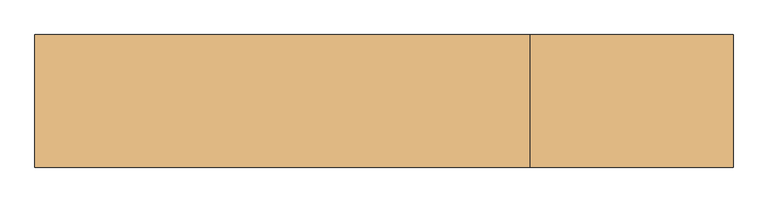
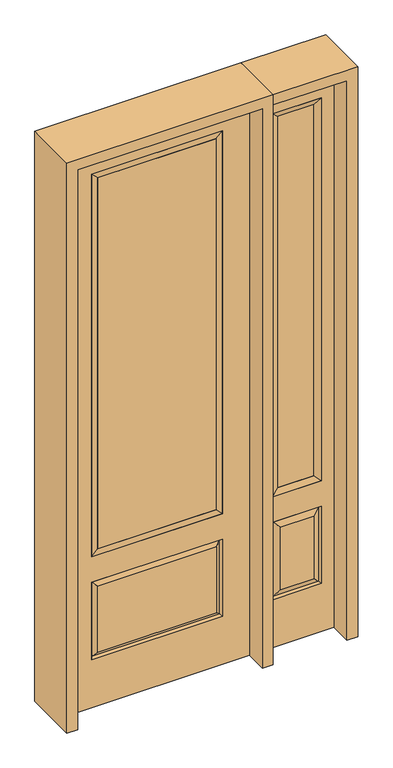
"""IFC4 building model written with IfcOpenShell, lengths in millimetres: door geometry."""

from ifc_helpers import new_model, si_unit, frame, origin, place, context, project, spatial, polyline, outline, extrude, faceted_brep, source, transform, mapped, element, save


def door_bb8ef463(model_context):
    return source(origin(), model_context, "Body", "SolidModel", [
        faceted_brep([(425.45, -22.225, 0.0), (730.25, -22.225, 0.0), (730.25, -22.225, 2438.4), (425.45, -22.225, 2438.4), (678.18, -22.225, 2325.624), (678.18, -22.225, 657.098), (477.52, -22.225, 657.098), (477.52, -22.225, 2325.624), (678.18, -22.225, 209.55), (477.52, -22.225, 209.55), (477.52, -22.225, 546.1), (678.18, -22.225, 546.1), (509.2351001, -22.225, 241.2651001), (646.4648999, -22.225, 241.2651001), (646.4648999, -22.225, 514.3848999), (509.2351001, -22.225, 514.3848999), (425.45, 22.225, 0.0), (425.45, 22.225, 2438.4), (730.25, 22.225, 2438.4), (730.25, 22.225, 0.0), (678.18, 22.225, 2325.624), (477.52, 22.225, 2325.624), (477.52, 22.225, 657.098), (678.18, 22.225, 657.098), (477.52, 22.225, 209.55), (678.18, 22.225, 209.55), (678.18, 22.225, 546.1), (477.52, 22.225, 546.1), (646.4648999, 22.225, 241.2651001), (509.2351001, 22.225, 241.2651001), (509.2351001, 22.225, 514.3848999), (646.4648999, 22.225, 514.3848999), (671.0711499, 12.7912373, 216.6588501), (484.6288501, 12.7912373, 216.6588501), (484.6288501, 12.7912373, 538.9911499), (671.0711499, 12.7912373, 538.9911499), (484.6288501, -12.7912373, 216.6588501), (671.0711499, -12.7912373, 216.6588501), (484.6288501, -12.7912373, 538.9911499), (671.0711499, -12.7912373, 538.9911499)], [[[0, 1, 2, 3], [4, 5, 6, 7], [8, 9, 10, 11]], [[12, 13, 14, 15]], [[16, 17, 18, 19], [20, 21, 22, 23], [24, 25, 26, 27]], [[28, 29, 30, 31]], [[1, 0, 16, 19]], [[2, 1, 19, 18]], [[3, 2, 18, 17]], [[0, 3, 17, 16]], [[5, 4, 20, 23]], [[6, 5, 23, 22]], [[7, 6, 22, 21]], [[4, 7, 21, 20]], [[32, 33, 29, 28]], [[33, 32, 25, 24]], [[29, 33, 34, 30]], [[33, 24, 27, 34]], [[30, 34, 35, 31]], [[34, 27, 26, 35]], [[32, 28, 31, 35]], [[25, 32, 35, 26]], [[12, 36, 37, 13]], [[37, 36, 9, 8]], [[36, 12, 15, 38]], [[9, 36, 38, 10]], [[38, 15, 14, 39]], [[10, 38, 39, 11]], [[13, 37, 39, 14]], [[37, 8, 11, 39]]]),
        faceted_brep([(477.52, 22.225, 2325.624), (477.52, -22.225, 2325.624), (678.18, -22.225, 2325.624), (678.18, 22.225, 2325.624), (502.92, 12.7, 2300.224), (652.78, 12.7, 2300.224), (502.92, -12.7, 2300.224), (652.78, -12.7, 2300.224), (678.18, -22.225, 657.098), (678.18, 22.225, 657.098), (652.78, 12.7, 682.498), (652.78, -12.7, 682.498), (477.52, -22.225, 657.098), (477.52, 22.225, 657.098), (502.92, 12.7, 682.498), (502.92, -12.7, 682.498)], [[[0, 1, 2, 3]], [[4, 0, 3, 5]], [[6, 4, 5, 7]], [[1, 6, 7, 2]], [[3, 2, 8, 9]], [[5, 3, 9, 10]], [[7, 5, 10, 11]], [[2, 7, 11, 8]], [[9, 8, 12, 13]], [[10, 9, 13, 14]], [[11, 10, 14, 15]], [[8, 11, 15, 12]], [[13, 12, 1, 0]], [[14, 13, 0, 4]], [[15, 14, 4, 6]], [[12, 15, 6, 1]]]),
        extrude(outline(polyline([(652.78, -12.7), (502.92, -12.7), (502.92, 12.7), (652.78, 12.7), (652.78, -12.7)])), frame((0.0, 0.0, 682.498), z_axis=(0.0, 0.0, 1.0), x_axis=(1.0, 0.0, 0.0)), (0.0, 0.0, 1.0), 1617.726),
        extrude(outline(polyline([(244.475, -20.32), (-244.475, -20.32), (-244.475, 5.08), (244.475, 5.08), (244.475, -20.32)])), frame((0.0, 0.0, 682.498), z_axis=(0.0, 0.0, 1.0), x_axis=(1.0, 0.0, 0.0)), (0.0, 0.0, 1.0), 1616.202),
        faceted_brep([(-262.7661499, -12.7912373, 216.6588501), (262.7661499, -12.7912373, 216.6588501), (245.26875, -22.225, 234.15625), (-245.26875, -22.225, 234.15625), (-269.875, -22.225, 209.55), (269.875, -22.225, 209.55), (-262.7661499, -12.7912373, 538.9911499), (-269.875, -22.225, 546.1), (245.26875, -22.225, 521.49375), (-245.26875, -22.225, 521.49375), (381.0, -22.225, 2438.4), (-381.0, -22.225, 2438.4), (-381.0, -22.225, 0.0), (381.0, -22.225, 0.0), (269.875, -22.225, 546.1), (269.875, -22.225, 2324.1), (269.875, -22.225, 657.098), (-269.875, -22.225, 657.098), (-269.875, -22.225, 2324.1), (262.7661499, -12.7912373, 538.9911499), (-381.0, 22.225, 2438.4), (-381.0, 22.225, 0.0), (381.0, 22.225, 0.0), (381.0, 22.225, 2438.4), (269.875, 22.225, 2324.1), (269.875, 22.225, 657.098), (-269.875, 22.225, 657.098), (-269.875, 22.225, 2324.1), (-269.875, 22.225, 209.55), (269.875, 22.225, 209.55), (269.875, 22.225, 546.1), (-269.875, 22.225, 546.1), (245.26875, 22.225, 234.15625), (-245.26875, 22.225, 234.15625), (-245.26875, 22.225, 521.49375), (245.26875, 22.225, 521.49375), (-262.7661499, 12.7912373, 216.6588501), (262.7661499, 12.7912373, 216.6588501), (262.7661499, 12.7912373, 538.9911499), (-262.7661499, 12.7912373, 538.9911499)], [[[0, 1, 2, 3]], [[1, 0, 4, 5]], [[4, 0, 6, 7]], [[3, 2, 8, 9]], [[10, 11, 12, 13], [5, 4, 7, 14], [15, 16, 17, 18]], [[1, 5, 14, 19]], [[2, 1, 19, 8]], [[0, 3, 9, 6]], [[7, 6, 19, 14]], [[6, 9, 8, 19]], [[12, 11, 20, 21]], [[13, 12, 21, 22]], [[10, 13, 22, 23]], [[16, 15, 24, 25]], [[17, 16, 25, 26]], [[18, 17, 26, 27]], [[23, 22, 21, 20], [28, 29, 30, 31], [24, 27, 26, 25]], [[32, 33, 34, 35]], [[28, 36, 37, 29]], [[29, 37, 38, 30]], [[39, 31, 30, 38]], [[36, 28, 31, 39]], [[37, 36, 33, 32]], [[33, 36, 39, 34]], [[34, 39, 38, 35]], [[37, 32, 35, 38]], [[11, 10, 23, 20]], [[15, 18, 27, 24]]]),
        faceted_brep([(-269.875, -22.225, 2324.1), (-269.875, 22.225, 2324.1), (-269.875, 22.225, 657.098), (-269.875, -22.225, 657.098), (269.875, 22.225, 657.098), (269.875, -22.225, 657.098), (-244.475, 5.08, 682.498), (244.475, 5.08, 682.498), (269.875, 22.225, 2324.1), (269.875, -22.225, 2324.1), (-244.475, -20.32, 682.498), (244.475, -20.32, 682.498), (-244.475, -20.32, 2298.7), (244.475, -20.32, 2298.7), (-244.475, 5.08, 2298.7), (244.475, 5.08, 2298.7)], [[[0, 1, 2, 3]], [[3, 2, 4, 5]], [[2, 6, 7, 4]], [[5, 4, 8, 9]], [[10, 3, 5, 11]], [[12, 0, 3, 10]], [[11, 5, 9, 13]], [[6, 10, 11, 7]], [[14, 12, 10, 6]], [[7, 11, 13, 15]], [[1, 14, 6, 2]], [[4, 7, 15, 8]], [[9, 8, 1, 0]], [[13, 9, 0, 12]], [[15, 13, 12, 14]], [[8, 15, 14, 1]]]),
        extrude(outline(polyline([(2482.85, -425.45), (0.0, -425.45), (0.0, -381.0), (2438.4, -381.0), (2438.4, 381.0), (0.0, 381.0), (0.0, 425.45), (2482.85, 425.45), (2482.85, -425.45)])), frame((0.0, -114.3, 0.0), z_axis=(0.0, 1.0, 0.0), x_axis=(0.0, 0.0, 1.0)), (0.0, 0.0, 1.0), 228.6),
        extrude(outline(polyline([(0.0, 730.25), (0.0, 774.7), (2482.85, 774.7), (2482.85, 425.45), (2438.4, 425.45), (2438.4, 730.25), (0.0, 730.25)])), frame((0.0, -114.3, 0.0), z_axis=(0.0, 1.0, 0.0), x_axis=(0.0, 0.0, 1.0)), (0.0, 0.0, 1.0), 228.6),
    ])


if __name__ == "__main__":
    model = new_model("IFC4")
    model_context = context("Model", 3, world=origin())
    ifc_project = project(units=[si_unit("LENGTHUNIT", "METRE", prefix="MILLI")], contexts=[model_context])
    site = spatial("IfcSite", under=ifc_project)
    building = spatial("IfcBuilding", under=site)
    placement = place(None, origin())
    door_shape = door_bb8ef463(model_context)
    element("IfcDoor", 1, at=placement, inside=building, context=model_context, shape_type="MappedRepresentation", body=[
        mapped(door_shape, transform((0.0, 0.0, 0.0), x_axis=(1.0, 0.0, 0.0), y_axis=(0.0, 1.0, 0.0), z_axis=(0.0, 0.0, 1.0))),
    ])
    save(model, "model.ifc")
